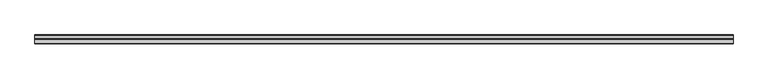
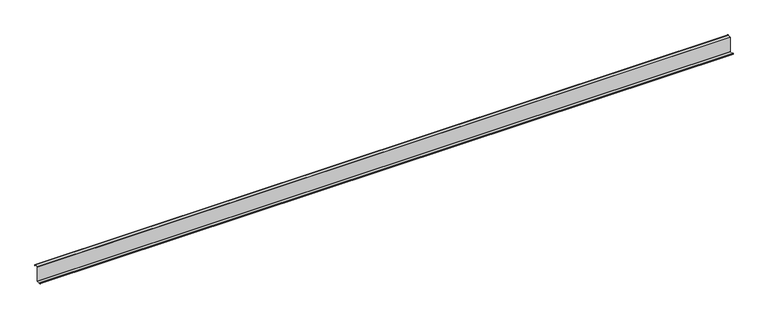
"""IFC4 building model written with IfcOpenShell, lengths in millimetres: member geometry."""

from ifc_helpers import new_model, si_unit, point, frame, frame_2d, origin, place, context, project, spatial, polyline, circle_curve, trimmed, segment, composite_curve, outline, extrude, source, transform, mapped, element, save


def member_afe4be66(model_context):
    return source(origin(), model_context, "Body", "SweptSolid", [
        extrude(outline(composite_curve([segment(trimmed(circle_curve(frame_2d((-3.5, -123.5)), 3.5), [point((0.0, -123.5))], [point((-3.5, -127.0))], False, "CARTESIAN"), True, "CONTINUOUS"), segment(polyline([(-3.5, -127.0), (-75.0, -127.0)]), True, "CONTINUOUS"), segment(trimmed(circle_curve(frame_2d((-75.0, -123.5)), 3.5), [point((-75.0, -127.0))], [point((-78.5, -123.5))], False, "CARTESIAN"), True, "CONTINUOUS"), segment(polyline([(-78.5, -123.5), (-78.5, -107.5), (-77.0, -107.5), (-77.0, -123.5)]), True, "CONTINUOUS"), segment(trimmed(circle_curve(frame_2d((-75.0, -123.5)), 2.0), [point((-77.0, -123.5))], [point((-75.0, -125.5))], True, "CARTESIAN"), True, "CONTINUOUS"), segment(polyline([(-75.0, -125.5), (-3.5, -125.5)]), True, "CONTINUOUS"), segment(trimmed(circle_curve(frame_2d((-3.5, -123.5)), 2.0), [point((-3.5, -125.5))], [point((-1.5, -123.5))], True, "CARTESIAN"), True, "CONTINUOUS"), segment(polyline([(-1.5, -123.5), (-1.5, 123.5)]), True, "CONTINUOUS"), segment(trimmed(circle_curve(frame_2d((2.0, 123.5)), 3.5), [point((-1.5, 123.5))], [point((2.0, 127.0))], False, "CARTESIAN"), True, "CONTINUOUS"), segment(polyline([(2.0, 127.0), (63.5, 127.0)]), True, "CONTINUOUS"), segment(trimmed(circle_curve(frame_2d((63.5, 123.5)), 3.5), [point((63.5, 127.0))], [point((67.0, 123.5))], False, "CARTESIAN"), True, "CONTINUOUS"), segment(polyline([(67.0, 123.5), (67.0, 107.0), (65.5, 107.0), (65.5, 123.5)]), True, "CONTINUOUS"), segment(trimmed(circle_curve(frame_2d((63.5, 123.5)), 2.0), [point((65.5, 123.5))], [point((63.5, 125.5))], True, "CARTESIAN"), True, "CONTINUOUS"), segment(polyline([(63.5, 125.5), (2.0, 125.5)]), True, "CONTINUOUS"), segment(trimmed(circle_curve(frame_2d((2.0, 123.5)), 2.0), [point((2.0, 125.5))], [point((0.0, 123.5))], True, "CARTESIAN"), True, "CONTINUOUS"), segment(polyline([(0.0, 123.5), (0.0, -123.5)]), True, "CONTINUOUS")], self_intersect=False)), frame((-5720.0, 0.0, 0.0), z_axis=(1.0, 0.0, 0.0), x_axis=(0.0, 1.0, 0.0)), (0.0, 0.0, 1.0), 11440.0),
    ])


if __name__ == "__main__":
    model = new_model("IFC4")
    model_context = context("Model", 3, world=origin())
    ifc_project = project(units=[si_unit("LENGTHUNIT", "METRE", prefix="MILLI")], contexts=[model_context])
    site = spatial("IfcSite", under=ifc_project)
    building = spatial("IfcBuilding", under=site)
    placement = place(None, origin())
    member_shape = member_afe4be66(model_context)
    element("IfcMember", 1, at=placement, inside=building, context=model_context, shape_type="MappedRepresentation", body=[
        mapped(member_shape, transform((0.0, 0.0, 0.0), x_axis=(1.0, 0.0, 0.0), y_axis=(0.0, 1.0, 0.0), z_axis=(0.0, 0.0, 1.0))),
    ])
    save(model, "model.ifc")
